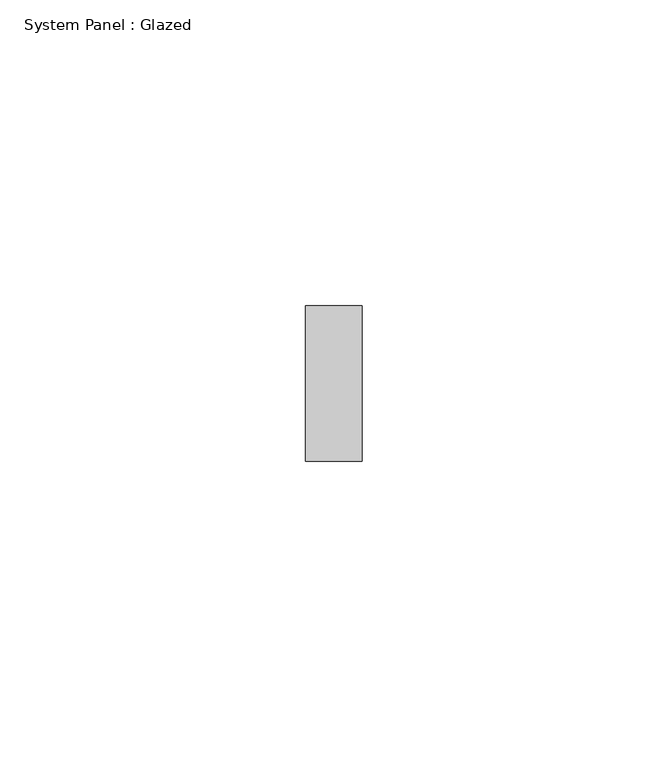
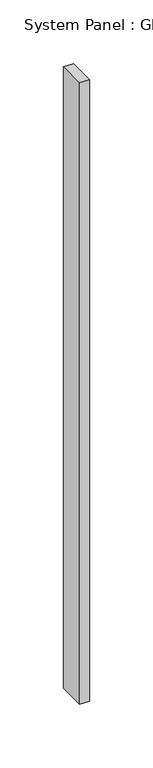
"""IFC4 building model written with IfcOpenShell, lengths in millimetres: plate geometry, System Panel : Glazed."""

from ifc_helpers import new_model, si_unit, origin, origin_with_axes, place, context, project, spatial, polyline, outline, extrude, source, transform, mapped, element, save


def system_panel_glazed_8e796718(model_context):
    return source(origin(), model_context, "Body", "SweptSolid", [
        extrude(outline(polyline([(4.6013366, 19.05), (-4.6013366, 19.05), (-4.6013366, 44.45), (4.6013366, 44.45), (4.6013366, 19.05)])), origin_with_axes(), (0.0, 0.0, 1.0), 596.9),
    ])


if __name__ == "__main__":
    model = new_model("IFC4")
    model_context = context("Model", 3, world=origin())
    ifc_project = project(units=[si_unit("LENGTHUNIT", "METRE", prefix="MILLI")], contexts=[model_context])
    site = spatial("IfcSite", under=ifc_project)
    building = spatial("IfcBuilding", under=site)
    placement = place(None, origin())
    system_panel_glazed_shape = system_panel_glazed_8e796718(model_context)
    element("IfcPlate", 1, ObjectType="System Panel : Glazed", at=placement, inside=building, context=model_context, shape_type="MappedRepresentation", body=[
        mapped(system_panel_glazed_shape, transform((0.0, 0.0, 0.0), x_axis=(1.0, 0.0, 0.0), y_axis=(0.0, 1.0, 0.0), z_axis=(0.0, 0.0, 1.0))),
    ])
    save(model, "model.ifc")
